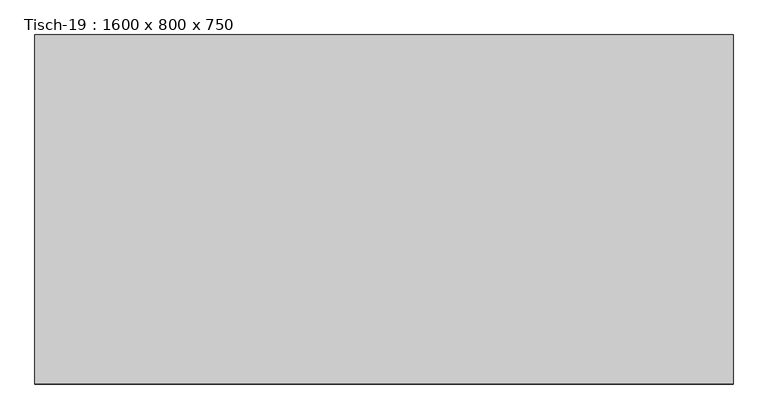
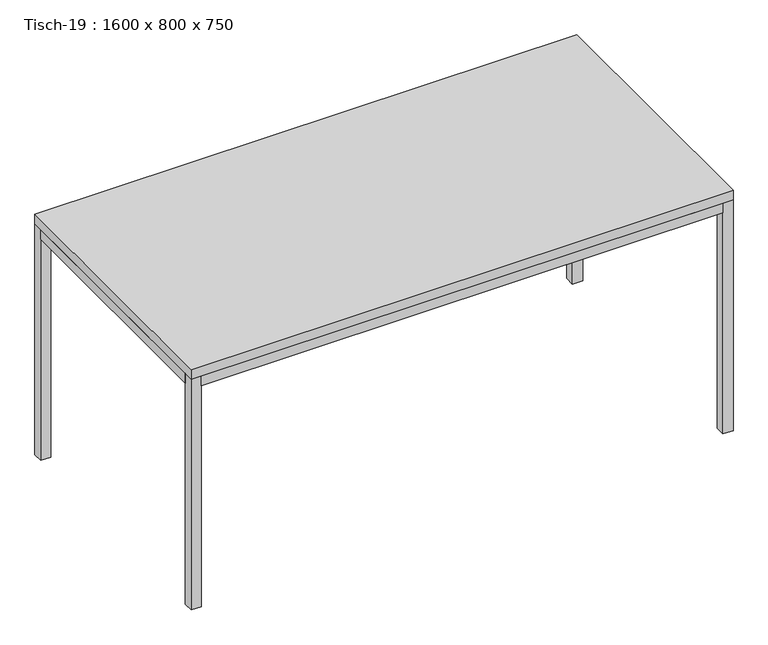
"""IFC4 building model written with IfcOpenShell, lengths in millimetres: furniture geometry, Tisch-19 : 1600 x 800 x 750."""

from ifc_helpers import new_model, si_unit, frame, origin, origin_with_axes, place, context, project, spatial, polyline, outline, extrude, source, transform, mapped, element, save


def tisch_19_1600_x_800_x_750_cf9d7bfb(model_context):
    return source(origin(), model_context, "Body", "SweptSolid", [
        extrude(outline(polyline([(13.435329, 400.0), (13.435329, -400.0), (-1586.564671, -400.0), (-1586.564671, 400.0), (13.435329, 400.0)])), frame((0.0, 0.0, 720.0), z_axis=(0.0, 0.0, 1.0), x_axis=(1.0, 0.0, 0.0)), (0.0, 0.0, 1.0), 30.0),
        extrude(outline(polyline([(-16.564671, 400.0), (-16.564671, 370.0), (-1556.564671, 370.0), (-1556.564671, 400.0), (-16.564671, 400.0)])), frame((0.0, 0.0, 690.0), z_axis=(0.0, 0.0, 1.0), x_axis=(1.0, 0.0, 0.0)), (0.0, 0.0, 1.0), 30.0),
        extrude(outline(polyline([(-16.564671, -400.0), (-1556.564671, -400.0), (-1556.564671, -370.0), (-16.564671, -370.0), (-16.564671, -400.0)])), frame((0.0, 0.0, 690.0), z_axis=(0.0, 0.0, 1.0), x_axis=(1.0, 0.0, 0.0)), (0.0, 0.0, 1.0), 30.0),
        extrude(outline(polyline([(-1556.564671, 370.0), (-1556.564671, -370.0), (-1586.564671, -370.0), (-1586.564671, 370.0), (-1556.564671, 370.0)])), frame((0.0, 0.0, 690.0), z_axis=(0.0, 0.0, 1.0), x_axis=(1.0, 0.0, 0.0)), (0.0, 0.0, 1.0), 30.0),
        extrude(outline(polyline([(-16.564671, 370.0), (13.435329, 370.0), (13.435329, -370.0), (-16.564671, -370.0), (-16.564671, 370.0)])), frame((0.0, 0.0, 690.0), z_axis=(0.0, 0.0, 1.0), x_axis=(1.0, 0.0, 0.0)), (0.0, 0.0, 1.0), 30.0),
        extrude(outline(polyline([(-1556.564671, 400.0), (-1556.564671, 370.0), (-1586.564671, 370.0), (-1586.564671, 400.0), (-1556.564671, 400.0)])), origin_with_axes(), (0.0, 0.0, 1.0), 720.0),
        extrude(outline(polyline([(-1556.564671, -400.0), (-1586.564671, -400.0), (-1586.564671, -370.0), (-1556.564671, -370.0), (-1556.564671, -400.0)])), origin_with_axes(), (0.0, 0.0, 1.0), 720.0),
        extrude(outline(polyline([(-16.564671, 400.0), (13.435329, 400.0), (13.435329, 370.0), (-16.564671, 370.0), (-16.564671, 400.0)])), origin_with_axes(), (0.0, 0.0, 1.0), 720.0),
        extrude(outline(polyline([(-16.564671, -400.0), (-16.564671, -370.0), (13.435329, -370.0), (13.435329, -400.0), (-16.564671, -400.0)])), origin_with_axes(), (0.0, 0.0, 1.0), 720.0),
    ])


if __name__ == "__main__":
    model = new_model("IFC4")
    model_context = context("Model", 3, world=origin())
    ifc_project = project(units=[si_unit("LENGTHUNIT", "METRE", prefix="MILLI")], contexts=[model_context])
    site = spatial("IfcSite", under=ifc_project)
    building = spatial("IfcBuilding", under=site)
    placement = place(None, origin())
    tisch_19_1600_x_800_x_750_shape = tisch_19_1600_x_800_x_750_cf9d7bfb(model_context)
    element("IfcFurniture", 1, ObjectType="Tisch-19 : 1600 x 800 x 750", at=placement, inside=building, context=model_context, shape_type="MappedRepresentation", body=[
        mapped(tisch_19_1600_x_800_x_750_shape, transform((0.0, 0.0, 0.0), x_axis=(1.0, 0.0, 0.0), y_axis=(0.0, 1.0, 0.0), z_axis=(0.0, 0.0, 1.0))),
    ])
    save(model, "model.ifc")
